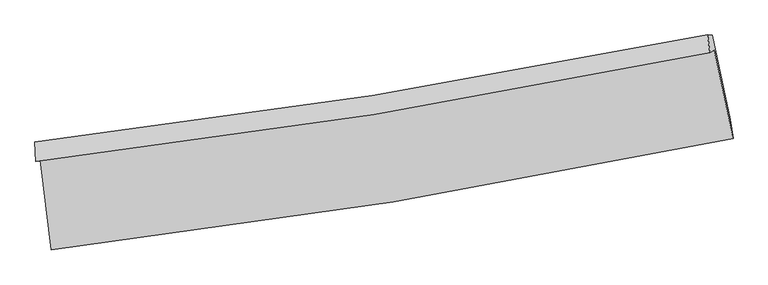
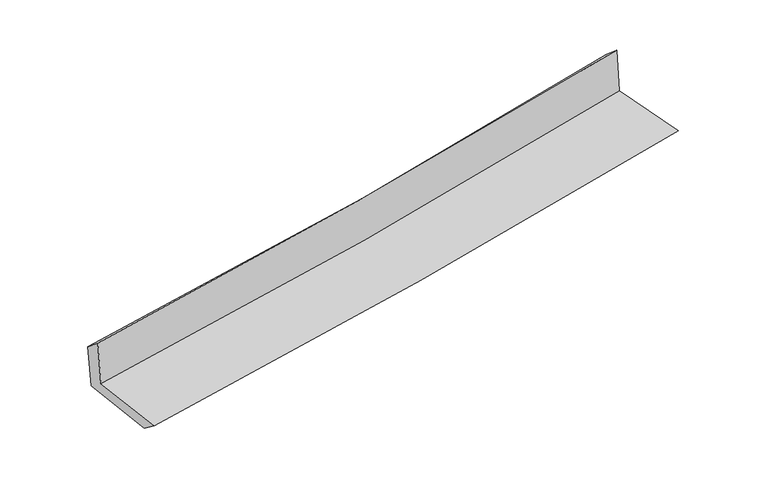
"""IFC4 building model written with IfcOpenShell, lengths in millimetres: proxy geometry."""

from ifc_helpers import new_model, si_unit, frame, origin, place, context, project, spatial, source, transform, mapped, element, save
from ifc_brep_helpers import plane_surface, spline_curve, spline_surface, advanced_brep


def generic_models_8f77fbf5(model_context):
    return source(origin(), model_context, "Body", "AdvancedBrep", [
        advanced_brep(
        [(-2555.2301783, -1884.259848, 1658.2295665), (-2472.3585097, -2558.4998557, 1646.526941), (2637.5442117, -1721.9564854, 2104.1965051), (2496.0880414, -1060.9242311, 2122.9323724), (-2588.3585044, -1895.2188159, 2055.0272729), (2463.8473811, -1078.9945221, 2526.6270354), (-2595.5499125, -1750.7600505, 1935.8864269), (2446.1235551, -945.1767804, 2408.2629284), (-2562.9712575, -1751.9665786, 1562.4254166), (2481.9143205, -946.2868451, 2010.2303525), (-2480.2523596, -2416.4230364, 1538.8047301), (2617.887135, -1581.6950844, 1992.2207555)],
        [
            (0, 1),
            (1, 2, spline_curve(3, [(-2472.3585097, -2558.4998557, 1646.526941), (-1615.806610036, -2457.154405569, 1732.78307877), (-762.165181689, -2336.866132221, 1814.014285495), (941.148408856, -2058.100892708, 1966.592704731), (1790.807887868, -1899.541375926, 2037.918019657), (2637.5442117, -1721.9564854, 2104.1965051)], [4, 2, 4], [0.0, 8.472119585596642, 16.962679347338497])),
            (2, 3),
            (3, 0, spline_curve(3, [(2496.0880414, -1060.9242311, 2122.9323724), (1659.160609091, -1238.086198071, 2051.337680321), (819.292906674, -1395.331442219, 1976.769773352), (-864.492590951, -1669.690229976, 1821.855937512), (-1708.397628366, -1786.890191042, 1741.522908881), (-2555.2301783, -1884.259848, 1658.2295665)], [4, 2, 4], [0.0, 8.490559761741855, 16.962679347338497])),
            (4, 0),
            (3, 5),
            (5, 4, spline_curve(3, [(2463.8473811, -1078.9945221, 2526.6270354), (1626.089827625, -1252.727271331, 2456.207496793), (785.733382408, -1407.665871469, 2381.650531196), (-898.346522635, -1679.659088744, 2224.432658193), (-1742.058705863, -1796.795253225, 2141.789702928), (-2588.3585044, -1895.2188159, 2055.0272729)], [4, 2, 4], [0.0, 8.442307623537527, 16.866279867074365])),
            (6, 4),
            (5, 7),
            (7, 6, spline_curve(3, [(2446.1235551, -945.1767804, 2408.2629284), (1610.71352997, -1113.791309679, 2321.854985304), (772.409183974, -1265.284900903, 2239.247639018), (-908.161197214, -1533.73837038, 2081.805295994), (-1750.414673516, -1650.772535816, 2006.953808435), (-2595.5499125, -1750.7600505, 1935.8864269)], [4, 2, 4], [0.0, 8.432347906072563, 16.846382063102766])),
            (8, 6),
            (7, 9),
            (9, 8, spline_curve(3, [(2481.9143205, -946.2868451, 2010.2303525), (1645.221114878, -1114.899563227, 1936.356494347), (806.007617888, -1266.400306002, 1862.061462341), (-875.631843328, -1534.885968883, 1712.791322845), (-1718.046872424, -1651.945137447, 1637.818042972), (-2562.9712575, -1751.9665786, 1562.4254166)], [4, 2, 4], [0.0, 8.42309121717902, 16.827888789405225])),
            (10, 8),
            (9, 11),
            (11, 10, spline_curve(3, [(2617.887135, -1581.6950844, 1992.2207555), (1773.764259441, -1758.690045371, 1917.37444334), (926.39248543, -1916.803303925, 1842.125105112), (-773.00144274, -2194.964027375, 1690.984681265), (-1625.009500561, -2315.093419449, 1615.09534452), (-2480.2523596, -2416.4230364, 1538.8047301)], [4, 2, 4], [0.0, 8.471275922313154, 16.924153549983117])),
            (1, 10),
            (11, 2),
        ],
        [
            spline_surface(3, 3, [[(-2555.2301783, -1884.259848, 1658.2295665), (-1708.397628321, -1786.890191094, 1741.522909009), (-864.492590968, -1669.690229863, 1821.855937422), (819.29290669, -1395.331442332, 1976.769773442), (1659.160609223, -1238.086197938, 2051.337680282), (2496.0880414, -1060.9242311, 2122.9323724)], [(-2527.606288762, -2109.006517223, 1654.328691349), (-1677.533955533, -2010.311595913, 1738.609632279), (-830.38345456, -1892.082197335, 1819.242053421), (859.911407422, -1616.25459247, 1973.377417233), (1703.043035414, -1458.571257269, 2046.86446002), (2543.240098172, -1281.26831586, 2116.687083273)], [(-2499.982399238, -2333.753186477, 1650.427816151), (-1646.670282758, -2233.733000762, 1735.696355502), (-796.274318139, -2114.474164758, 1816.628169415), (900.529908166, -1837.17774256, 1969.985061021), (1746.925461588, -1679.05631662, 2042.391239839), (2590.392154928, -1501.61240064, 2110.441794227)], [(-2472.3585097, -2558.4998557, 1646.526941), (-1615.806609969, -2457.154405581, 1732.783078772), (-762.165181731, -2336.86613223, 1814.014285414), (941.148408898, -2058.100892698, 1966.592704812), (1790.807887779, -1899.541375951, 2037.918019577), (2637.5442117, -1721.9564854, 2104.1965051)]], [4, 4], [4, 2, 4], [0.0, 2.2126407545331377], [0.0, 8.472119585596642, 16.962679347338497]),
            spline_surface(3, 3, [[(-2588.3585044, -1895.2188159, 2055.0272729), (-1742.058706, -1796.795253244, 2141.789702938), (-898.346522624, -1679.659088763, 2224.432658189), (785.733382398, -1407.66587145, 2381.650531201), (1626.089827514, -1252.72727134, 2456.207496787), (2463.8473811, -1078.9945221, 2526.6270354)], [(-2577.315729031, -1891.5658266, 1922.761370773), (-1730.838346771, -1793.493565861, 2008.367438302), (-887.061878742, -1676.336135788, 2090.240417942), (796.919890492, -1403.554395069, 2246.690278623), (1637.113421422, -1247.84691354, 2321.250891317), (2474.594267871, -1072.971091767, 2392.062147765)], [(-2566.272953669, -1887.9128373, 1790.495468627), (-1719.61798755, -1790.191878478, 1874.945173645), (-875.77723485, -1673.013182838, 1956.048177669), (808.106398596, -1399.442918713, 2111.73002602), (1648.137015316, -1242.966555738, 2186.294285752), (2485.341154629, -1066.947661433, 2257.497260035)], [(-2555.2301783, -1884.259848, 1658.2295665), (-1708.397628321, -1786.890191094, 1741.522909009), (-864.492590968, -1669.690229863, 1821.855937422), (819.29290669, -1395.331442332, 1976.769773442), (1659.160609223, -1238.086197938, 2051.337680282), (2496.0880414, -1060.9242311, 2122.9323724)]], [4, 4], [4, 2, 4], [0.0, 1.3296894493597122], [0.0, 8.423972243536838, 16.866279867074365]),
            spline_surface(3, 3, [[(-2595.5499125, -1750.7600505, 1935.8864269), (-1750.414673556, -1650.772535899, 2006.953808428), (-908.161197078, -1533.738370359, 2081.805295922), (772.409183838, -1265.284900924, 2239.247639089), (1610.713529883, -1113.791309785, 2321.854985394), (2446.1235551, -945.1767804, 2408.2629284)], [(-2593.15277648, -1798.912972296, 1975.600042232), (-1747.629351051, -1699.44677501, 2051.899106597), (-904.889638923, -1582.378609811, 2129.347749998), (776.850583362, -1312.745224416, 2286.71526978), (1615.838962412, -1160.103296972, 2366.639155838), (2452.031497085, -989.782694302, 2447.717630713)], [(-2590.75564042, -1847.065894104, 2015.313657568), (-1744.844028505, -1748.121014132, 2096.844404769), (-901.61808078, -1631.018849311, 2176.890204112), (781.291982874, -1360.205547957, 2334.18290051), (1620.964394985, -1206.415284153, 2411.423326343), (2457.939439115, -1034.388608198, 2487.172333087)], [(-2588.3585044, -1895.2188159, 2055.0272729), (-1742.058706, -1796.795253244, 2141.789702938), (-898.346522624, -1679.659088763, 2224.432658189), (785.733382398, -1407.66587145, 2381.650531201), (1626.089827514, -1252.72727134, 2456.207496787), (2463.8473811, -1078.9945221, 2526.6270354)]], [4, 4], [4, 2, 4], [0.0, 0.6661218354154567], [0.0, 8.414034157030203, 16.846382063102766]),
            spline_surface(3, 3, [[(-2562.9712575, -1751.9665786, 1562.4254166), (-1718.046872533, -1651.945137321, 1637.818042888), (-875.631843459, -1534.885968828, 1712.791322878), (806.00761802, -1266.400306058, 1862.061462308), (1645.221114936, -1114.899563365, 1936.356494279), (2481.9143205, -946.2868451, 2010.2303525)], [(-2573.830809158, -1751.564402575, 1686.912420011), (-1728.836139532, -1651.554270188, 1760.863298045), (-886.474961325, -1534.503436003, 1835.795980551), (794.808139966, -1266.028504344, 1987.790187894), (1633.718586594, -1114.530145492, 2064.85599131), (2469.984065376, -945.916823521, 2142.907877792)], [(-2584.690360842, -1751.162226525, 1811.399423489), (-1739.625406557, -1651.163403031, 1883.90855327), (-897.318079212, -1534.120903184, 1958.800638249), (783.608661892, -1265.656702637, 2113.518913504), (1622.216058225, -1114.160727657, 2193.355488363), (2458.053810224, -945.546801979, 2275.585403108)], [(-2595.5499125, -1750.7600505, 1935.8864269), (-1750.414673556, -1650.772535899, 2006.953808428), (-908.161197078, -1533.738370359, 2081.805295922), (772.409183838, -1265.284900924, 2239.247639089), (1610.713529883, -1113.791309785, 2321.854985394), (2446.1235551, -945.1767804, 2408.2629284)]], [4, 4], [4, 2, 4], [0.0, 1.2289138329930676], [0.0, 8.404797572226204, 16.827888789405225]),
            spline_surface(3, 3, [[(-2480.2523596, -2416.4230364, 1538.8047301), (-1625.009500512, -2315.093419382, 1615.095344442), (-773.001442865, -2194.964027403, 1690.984681252), (926.392485556, -1916.803303897, 1842.125105125), (1773.764259426, -1758.690045251, 1917.374443408), (2617.887135, -1581.6950844, 1992.2207555)], [(-2507.825325575, -2194.937550451, 1546.678292284), (-1656.02195786, -2094.043992013, 1622.669577274), (-807.211576401, -1974.938007902, 1698.253561805), (886.264196373, -1700.002304642, 1848.77055753), (1730.916544585, -1544.09321797, 1923.701793699), (2572.562863489, -1369.892337981, 1998.2239545)], [(-2535.398291525, -1973.452064549, 1554.551854416), (-1687.034415185, -1872.99456469, 1630.243810055), (-841.421709924, -1754.911988328, 1705.522442325), (846.135907203, -1483.201305313, 1855.416009903), (1688.068829777, -1329.496390646, 1930.029143989), (2527.238592011, -1158.089591519, 2004.2271535)], [(-2562.9712575, -1751.9665786, 1562.4254166), (-1718.046872533, -1651.945137321, 1637.818042888), (-875.631843459, -1534.885968828, 1712.791322878), (806.00761802, -1266.400306058, 1862.061462308), (1645.221114936, -1114.899563365, 1936.356494279), (2481.9143205, -946.2868451, 2010.2303525)]], [4, 4], [4, 2, 4], [0.0, 2.181697228268501], [0.0, 8.452877627669963, 16.924153549983117]),
            spline_surface(3, 3, [[(-2472.3585097, -2558.4998557, 1646.526941), (-1615.806609969, -2457.154405581, 1732.783078772), (-762.165181731, -2336.86613223, 1814.014285414), (941.148408898, -2058.100892698, 1966.592704812), (1790.807887779, -1899.541375951, 2037.918019577), (2637.5442117, -1721.9564854, 2104.1965051)], [(-2474.989792994, -2511.140915955, 1610.619537351), (-1618.874240145, -2409.800743537, 1693.553833979), (-765.777268774, -2289.565430607, 1773.00441736), (936.229767785, -2011.001696417, 1925.103504916), (1785.126678335, -1852.590932386, 1997.736827544), (2630.991852807, -1675.202685068, 2066.871255257)], [(-2477.621076306, -2463.781976145, 1574.712133749), (-1621.941870337, -2362.447081427, 1654.324589234), (-769.389355822, -2242.264729026, 1731.994549306), (931.311126669, -1963.902500178, 1883.614305021), (1779.445468869, -1805.640488816, 1957.555635441), (2624.439493893, -1628.448884732, 2029.546005343)], [(-2480.2523596, -2416.4230364, 1538.8047301), (-1625.009500512, -2315.093419382, 1615.095344442), (-773.001442865, -2194.964027403, 1690.984681252), (926.392485556, -1916.803303897, 1842.125105125), (1773.764259426, -1758.690045251, 1917.374443408), (2617.887135, -1581.6950844, 1992.2207555)]], [4, 4], [4, 2, 4], [0.0, 0.6184037595960469], [0.0, 8.510314755289167, 17.039152821250852]),
            plane_surface(frame((2523.9007741, -1222.5056581, 2194.0783249), z_axis=(0.974649850582858, 0.20610037914623197, 0.08706493251930943), x_axis=(-0.0895575115525237, 0.002777661623902929, 0.9959777792302511))),
            plane_surface(frame((-2542.4534537, -2042.8546975, 1732.8167257), z_axis=(-0.9890425256885147, -0.12007364972860733, -0.08589063406760739), x_axis=(-0.12197509996616933, 0.9923836904921356, 0.017224570631872424))),
        ],
        [
            (0, [[1, 2, 3, 4]]),
            (1, [[5, -4, 6, 7]]),
            (2, [[8, -7, 9, 10]]),
            (3, [[11, -10, 12, 13]]),
            (4, [[14, -13, 15, 16]]),
            (5, [[17, -16, 18, -2]]),
            (6, [[-12, -9, -6, -3, -18, -15]]),
            (7, [[-1, -5, -8, -11, -14, -17]]),
        ],
    ),
    ])


if __name__ == "__main__":
    model = new_model("IFC4")
    model_context = context("Model", 3, world=origin())
    ifc_project = project(units=[si_unit("LENGTHUNIT", "METRE", prefix="MILLI")], contexts=[model_context])
    site = spatial("IfcSite", under=ifc_project)
    building = spatial("IfcBuilding", under=site)
    placement = place(None, origin())
    generic_models_shape = generic_models_8f77fbf5(model_context)
    element("IfcBuildingElementProxy", 1, Name="Generic Models", at=placement, inside=building, context=model_context, shape_type="MappedRepresentation", body=[
        mapped(generic_models_shape, transform((0.0, 0.0, 0.0), x_axis=(1.0, 0.0, 0.0), y_axis=(0.0, 1.0, 0.0), z_axis=(0.0, 0.0, 1.0))),
    ])
    save(model, "model.ifc")
